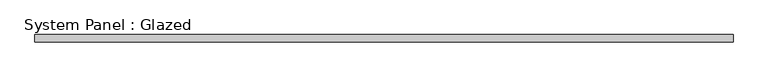
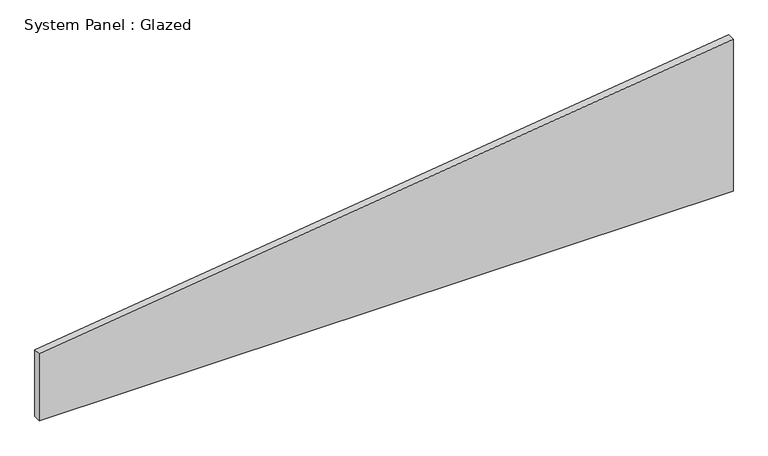
"""IFC4 building model written with IfcOpenShell, lengths in millimetres: plate geometry, System Panel : Glazed."""

from ifc_helpers import new_model, si_unit, frame, origin, place, context, project, spatial, polyline, outline, extrude, source, transform, mapped, element, save


def system_panel_glazed_af0ac571(model_context):
    return source(origin(), model_context, "Body", "SweptSolid", [
        extrude(outline(polyline([(0.0, -1171.7121958), (0.0, 1171.7121958), (543.2619997, 1171.7121958), (238.2230417, -1171.7121958), (0.0, -1171.7121958)])), frame((0.0, -49.5, 0.0), z_axis=(0.0, 1.0, 0.0), x_axis=(0.0, 0.0, 1.0)), (0.0, 0.0, 1.0), 25.0),
    ])


if __name__ == "__main__":
    model = new_model("IFC4")
    model_context = context("Model", 3, world=origin())
    ifc_project = project(units=[si_unit("LENGTHUNIT", "METRE", prefix="MILLI")], contexts=[model_context])
    site = spatial("IfcSite", under=ifc_project)
    building = spatial("IfcBuilding", under=site)
    placement = place(None, origin())
    system_panel_glazed_shape = system_panel_glazed_af0ac571(model_context)
    element("IfcPlate", 1, ObjectType="System Panel : Glazed", at=placement, inside=building, context=model_context, shape_type="MappedRepresentation", body=[
        mapped(system_panel_glazed_shape, transform((0.0, 0.0, 0.0), x_axis=(1.0, 0.0, 0.0), y_axis=(0.0, 1.0, 0.0), z_axis=(0.0, 0.0, 1.0))),
    ])
    save(model, "model.ifc")
